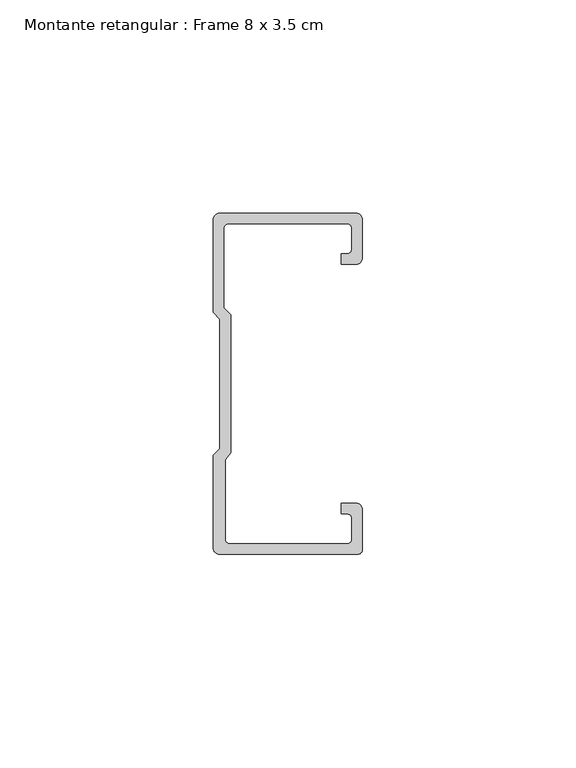
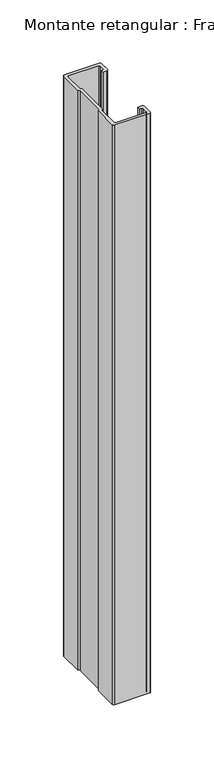
"""IFC4 building model written with IfcOpenShell, lengths in millimetres: member geometry, Montante retangular : Frame 8 x 3.5 cm."""

from ifc_helpers import new_model, si_unit, point, frame, frame_2d, origin, place, context, project, spatial, polyline, circle_curve, trimmed, segment, composite_curve, outline, extrude, source, transform, mapped, element, save


def montante_retangular_frame_8_x_3_5_cm_29b6c253(model_context):
    return source(origin(), model_context, "Body", "SweptSolid", [
        extrude(outline(composite_curve([segment(trimmed(circle_curve(frame_2d((-1.5, 29.5276505)), 1.5), [point((0.0, 29.5276505))], [point((-1.5, 28.0276505))], False, "CARTESIAN"), True, "CONTINUOUS"), segment(polyline([(-1.5, 28.0276505), (-4.9837744, 28.0276505), (-4.9837744, 30.5276505), (-3.5, 30.5276505)]), True, "CONTINUOUS"), segment(trimmed(circle_curve(frame_2d((-3.5, 31.5276505)), 1.0), [point((-3.5, 30.5276505))], [point((-2.5, 31.5276505))], True, "CARTESIAN"), True, "CONTINUOUS"), segment(polyline([(-2.5, 31.5276505), (-2.5, 36.5)]), True, "CONTINUOUS"), segment(trimmed(circle_curve(frame_2d((-3.5, 36.5)), 1.0), [point((-2.5, 36.5))], [point((-3.5, 37.5))], True, "CARTESIAN"), True, "CONTINUOUS"), segment(polyline([(-3.5, 37.5), (-31.5, 37.5)]), True, "CONTINUOUS"), segment(trimmed(circle_curve(frame_2d((-31.5, 36.5)), 1.0), [point((-31.5, 37.5))], [point((-32.5, 36.5))], True, "CARTESIAN"), True, "CONTINUOUS"), segment(polyline([(-32.5, 36.5), (-32.5, 17.7978001), (-30.9122869, 16.2100869), (-30.9122869, -16.1794816), (-32.192786, -17.7671948), (-32.192786, -36.5)]), True, "CONTINUOUS"), segment(trimmed(circle_curve(frame_2d((-31.192786, -36.5)), 1.0), [point((-32.192786, -36.5))], [point((-31.192786, -37.5))], True, "CARTESIAN"), True, "CONTINUOUS"), segment(polyline([(-31.192786, -37.5), (-3.5, -37.5)]), True, "CONTINUOUS"), segment(trimmed(circle_curve(frame_2d((-3.5, -36.5)), 1.0), [point((-3.5, -37.5))], [point((-2.5, -36.5))], True, "CARTESIAN"), True, "CONTINUOUS"), segment(polyline([(-2.5, -36.5), (-2.5, -31.5276505)]), True, "CONTINUOUS"), segment(trimmed(circle_curve(frame_2d((-3.5, -31.5276505)), 1.0), [point((-2.5, -31.5276505))], [point((-3.5, -30.5276505))], True, "CARTESIAN"), True, "CONTINUOUS"), segment(polyline([(-3.5, -30.5276505), (-4.9837744, -30.5276505), (-4.9837744, -28.0276505), (-1.5, -28.0276505)]), True, "CONTINUOUS"), segment(trimmed(circle_curve(frame_2d((-1.5, -29.5276505)), 1.5), [point((-1.5, -28.0276505))], [point((0.0, -29.5276505))], False, "CARTESIAN"), True, "CONTINUOUS"), segment(polyline([(0.0, -29.5276505), (0.0, -38.8171833)]), True, "CONTINUOUS"), segment(trimmed(circle_curve(frame_2d((-1.1828167, -38.8171833)), 1.1828167), [point((0.0, -38.8171833))], [point((-1.1828167, -40.0))], False, "CARTESIAN"), True, "CONTINUOUS"), segment(polyline([(-1.1828167, -40.0), (-33.5, -40.0)]), True, "CONTINUOUS"), segment(trimmed(circle_curve(frame_2d((-33.5, -38.5)), 1.5), [point((-33.5, -40.0))], [point((-35.0, -38.5))], False, "CARTESIAN"), True, "CONTINUOUS"), segment(polyline([(-35.0, -38.5), (-35.0, -16.7622662), (-33.4122869, -15.174553), (-33.4122869, 15.174553), (-35.0, 16.7622662), (-35.0, 38.5)]), True, "CONTINUOUS"), segment(trimmed(circle_curve(frame_2d((-33.5, 38.5)), 1.5), [point((-35.0, 38.5))], [point((-33.5, 40.0))], False, "CARTESIAN"), True, "CONTINUOUS"), segment(polyline([(-33.5, 40.0), (-1.5, 40.0)]), True, "CONTINUOUS"), segment(trimmed(circle_curve(frame_2d((-1.5, 38.5)), 1.5), [point((-1.5, 40.0))], [point((0.0, 38.5))], False, "CARTESIAN"), True, "CONTINUOUS"), segment(polyline([(0.0, 38.5), (0.0, 29.5276505)]), True, "CONTINUOUS")], self_intersect=False)), frame((0.0, 0.0, -562.5), z_axis=(0.0, 0.0, 1.0), x_axis=(1.0, 0.0, 0.0)), (0.0, 0.0, 1.0), 562.5),
    ])


if __name__ == "__main__":
    model = new_model("IFC4")
    model_context = context("Model", 3, world=origin())
    ifc_project = project(units=[si_unit("LENGTHUNIT", "METRE", prefix="MILLI")], contexts=[model_context])
    site = spatial("IfcSite", under=ifc_project)
    building = spatial("IfcBuilding", under=site)
    placement = place(None, origin())
    montante_retangular_frame_8_x_3_5_cm_shape = montante_retangular_frame_8_x_3_5_cm_29b6c253(model_context)
    element("IfcMember", 1, ObjectType="Montante retangular : Frame 8 x 3.5 cm", at=placement, inside=building, context=model_context, shape_type="MappedRepresentation", body=[
        mapped(montante_retangular_frame_8_x_3_5_cm_shape, transform((0.0, 0.0, 0.0), x_axis=(1.0, 0.0, 0.0), y_axis=(0.0, 1.0, 0.0), z_axis=(0.0, 0.0, 1.0))),
    ])
    save(model, "model.ifc")
